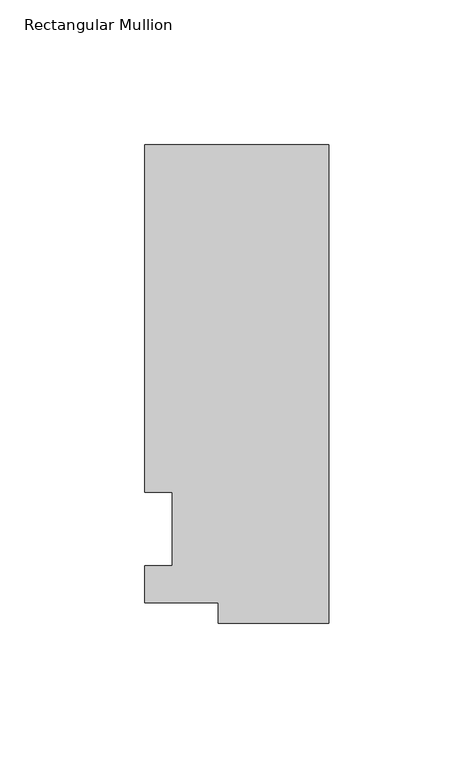
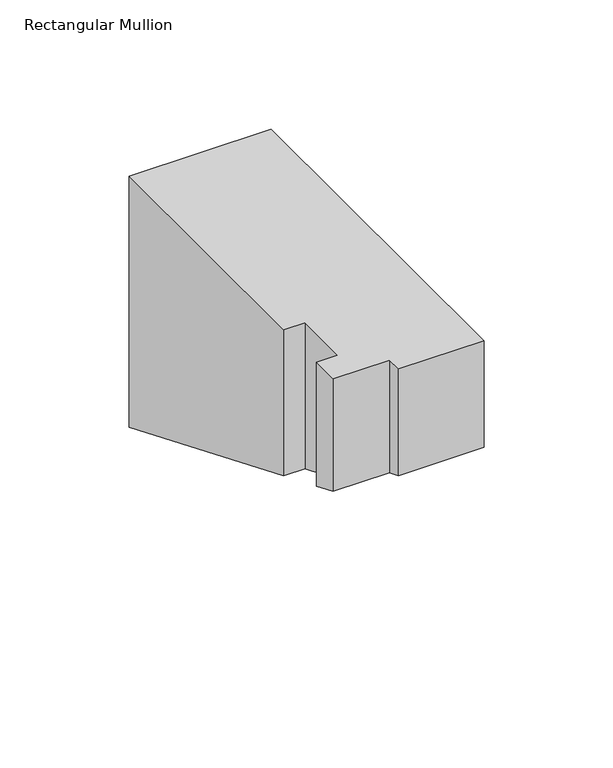
"""IFC4 building model written with IfcOpenShell, lengths in millimetres: member geometry, Rectangular Mullion."""

import ifcopenshell
import ifcopenshell.guid

model = None  # the IFC model being written
_history = None  # IfcOwnerHistory: only IFC2X3 demands one
_inside = {}  # id of a spatial element -> (the spatial element, [elements in it])
_under = {}  # id of a project, library or spatial element -> (it, [spatial elements below it])
_declared = {}  # id of a project -> (the project, [libraries it declares])
_typed = {}  # id of a type object -> (the type object, [elements of that type])
_made_of = {}  # id of a material, layer set ... -> (it, [elements and type objects made of it])


def new_model(schema):
    """Start an empty IFC model of exactly this schema.

    Asked for "IFC4X3", IfcOpenShell would pick the latest addendum, in which some entities
    have other attributes; the version numbers below select the first issue.
    IFC2X3 requires an IfcOwnerHistory on every rooted entity: one is made here for all.
    """
    global model, _history
    if schema == "IFC4X3":
        model = ifcopenshell.file(schema_version=(4, 3, 0, 0))
    else:
        model = ifcopenshell.file(schema=schema)
    _inside.clear()
    _under.clear()
    _declared.clear()
    _typed.clear()
    _made_of.clear()
    _history = None
    if model.schema == "IFC2X3":
        org = make("IfcOrganization", Name="unknown")
        user = make(
            "IfcPersonAndOrganization",
            ThePerson=make("IfcPerson", FamilyName="unknown"),
            TheOrganization=org,
        )
        app = make(
            "IfcApplication",
            ApplicationDeveloper=org,
            Version="unknown",
            ApplicationFullName="unknown",
            ApplicationIdentifier="unknown",
        )
        _history = make(
            "IfcOwnerHistory",
            OwningUser=user,
            OwningApplication=app,
            ChangeAction="ADDED",
            CreationDate=0,
        )
    return model


def make(cls, **values):
    """One entity of the class cls with the attributes given. An attribute that is None is left unset."""
    return model.create_entity(
        cls, **{name: value for name, value in values.items() if value is not None}
    )


def rooted(cls, **values):
    """An entity with a GlobalId (a new one), such as an element, a storey or a relation."""
    return make(cls, GlobalId=ifcopenshell.guid.new(), OwnerHistory=_history, **values)


def si_unit(unit_type, name, prefix=None):
    """IfcSIUnit, for example si_unit("LENGTHUNIT", "METRE", prefix="MILLI")."""
    return make("IfcSIUnit", UnitType=unit_type, Prefix=prefix, Name=name)


def assignment(units):
    """IfcUnitAssignment: the units of a project."""
    return None if units is None else make("IfcUnitAssignment", Units=units)


def point(xyz):
    """IfcCartesianPoint."""
    return None if xyz is None else make("IfcCartesianPoint", Coordinates=xyz)


def direction(xyz):
    """IfcDirection."""
    return None if xyz is None else make("IfcDirection", DirectionRatios=xyz)


def frame(location, z_axis=None, x_axis=None):
    """IfcAxis2Placement3D, a coordinate frame: its origin and axes. An axis left out is left unset."""
    return make(
        "IfcAxis2Placement3D",
        Location=point(location),
        Axis=direction(z_axis),
        RefDirection=direction(x_axis),
    )


def origin():
    """The frame at (0, 0, 0) with its axes left unset."""
    return frame((0.0, 0.0, 0.0))


def place(relative_to, where):
    """IfcLocalPlacement: puts the frame where relative to a parent placement (None: the world)."""
    return make(
        "IfcLocalPlacement", PlacementRelTo=relative_to, RelativePlacement=where
    )


def context(
    kind, dimensions, precision=None, world=None, true_north=None, identifier=None
):
    """IfcGeometricRepresentationContext, for example the 3D "Model" context."""
    return make(
        "IfcGeometricRepresentationContext",
        ContextIdentifier=identifier,
        ContextType=kind,
        CoordinateSpaceDimension=dimensions,
        Precision=precision,
        WorldCoordinateSystem=world,
        TrueNorth=true_north,
    )


def project(units=None, contexts=None):
    """IfcProject with its units and contexts."""
    return rooted(
        "IfcProject",
        Name="project",
        RepresentationContexts=contexts,
        UnitsInContext=assignment(units),
    )


def spatial(cls, under=None, at=None, **own):
    """A site, building, storey or space (cls), placed at a placement, below another one or the project."""
    s = rooted(cls, ObjectPlacement=at, **own)
    if under is not None:
        _under.setdefault(under.id(), (under, []))[1].append(s)
    return s


def faces_of(points, faces, orient=None, outer=None):
    """IfcFace entities. A face is a list of loops; a loop is a list of indices into points, from 0.

    orient and outer hold one flag for each loop. By default every Orientation is true, the
    first loop of a face is its IfcFaceOuterBound and the others are IfcFaceBound.
    """
    made = []
    for i, loops in enumerate(faces):
        bounds = []
        for j, loop in enumerate(loops):
            is_outer = j == 0 if outer is None else outer[i][j]
            bounds.append(
                make(
                    "IfcFaceOuterBound" if is_outer else "IfcFaceBound",
                    Bound=make("IfcPolyLoop", Polygon=[points[k] for k in loop]),
                    Orientation=True if orient is None else orient[i][j],
                )
            )
        made.append(make("IfcFace", Bounds=bounds))
    return made


def faceted_brep(points, faces, orient=None, outer=None, voids=None):
    """IfcFacetedBrep: a solid bounded by flat faces; with voids (closed shells), ...WithVoids."""
    shared = [point(p) for p in points]
    hull = make("IfcClosedShell", CfsFaces=faces_of(shared, faces, orient, outer))
    if voids is None:
        return make("IfcFacetedBrep", Outer=hull)
    return make(
        "IfcFacetedBrepWithVoids",
        Outer=hull,
        Voids=[
            make(cls, CfsFaces=faces_of(shared, fs, o, b)) for cls, fs, o, b in voids
        ],
    )


def shape(context_of_items, identifier, shape_type, items):
    """IfcShapeRepresentation: the items that make up one representation, for example the "Body"."""
    return make(
        "IfcShapeRepresentation",
        ContextOfItems=context_of_items,
        RepresentationIdentifier=identifier,
        RepresentationType=shape_type,
        Items=items,
    )


def source(mapping_origin, context_of_items, identifier, shape_type, items):
    """IfcRepresentationMap: a shape defined once, which mapped items show again and again."""
    return make(
        "IfcRepresentationMap",
        MappingOrigin=mapping_origin,
        MappedRepresentation=shape(context_of_items, identifier, shape_type, items),
    )


def transform(
    local_origin,
    x_axis=None,
    y_axis=None,
    z_axis=None,
    scale=None,
    scale2=None,
    scale3=None,
    uniform=True,
):
    """IfcCartesianTransformationOperator3D, or its non-uniform kind. x_axis, y_axis, z_axis: its Axis1, 2, 3."""
    if uniform:
        return make(
            "IfcCartesianTransformationOperator3D",
            Axis1=direction(x_axis),
            Axis2=direction(y_axis),
            LocalOrigin=point(local_origin),
            Scale=scale,
            Axis3=direction(z_axis),
        )
    return make(
        "IfcCartesianTransformationOperator3DnonUniform",
        Axis1=direction(x_axis),
        Axis2=direction(y_axis),
        LocalOrigin=point(local_origin),
        Scale=scale,
        Axis3=direction(z_axis),
        Scale2=scale2,
        Scale3=scale3,
    )


def mapped(mapping_source, mapping_target):
    """IfcMappedItem: shows the shape of a source again, moved by a transform."""
    return make(
        "IfcMappedItem", MappingSource=mapping_source, MappingTarget=mapping_target
    )


def made_of(thing, what):
    """Note that an element or type object is made of a material, layer set ...; save() writes the relation."""
    if what is not None:
        _made_of.setdefault(what.id(), (what, []))[1].append(thing)
    return thing


def element(
    cls,
    number,
    at=None,
    inside=None,
    cuts=None,
    type_object=None,
    material=None,
    context=None,
    identifier="Body",
    shape_type=None,
    held_by="IfcProductDefinitionShape",
    body=None,
    shapes=None,
    **own,
):
    """One element of the class cls, such as IfcWall. Its Tag is "e" and its number.

    at: its placement. inside: the storey or other place that contains it. cuts: it is an
    opening in that element (IfcRelVoidsElement). A single representation is given by context,
    identifier, shape_type and body (its items); several are given by shapes. held_by: the class
    of the entity that holds the representations. save() writes the other relations.
    """
    e = rooted(cls, Tag="e%d" % number, ObjectPlacement=at, **own)
    if body is not None:
        shapes = [shape(context, identifier, shape_type, body)]
    if shapes is not None:
        e.Representation = make(held_by, Representations=shapes)
    if inside is not None:
        _inside.setdefault(inside.id(), (inside, []))[1].append(e)
    if cuts is not None:
        rooted(
            "IfcRelVoidsElement", RelatingBuildingElement=cuts, RelatedOpeningElement=e
        )
    if type_object is not None:
        _typed.setdefault(type_object.id(), (type_object, []))[1].append(e)
    return made_of(e, material)


def aggregate(whole, parts):
    """IfcRelAggregates: a whole, such as a stair, and the parts it consists of."""
    return rooted("IfcRelAggregates", RelatingObject=whole, RelatedObjects=parts)


def save(model, path):
    """Write the relations noted so far, then the file.

    IfcRelAggregates (storeys below a building ...), IfcRelContainedInSpatialStructure (elements
    in a storey), IfcRelDefinesByType, IfcRelAssociatesMaterial and IfcRelDeclares: one each for
    every whole, place, type object, material and project.
    """
    for whole, parts in _under.values():
        aggregate(whole, parts)
    for where, things in _inside.values():
        rooted(
            "IfcRelContainedInSpatialStructure",
            RelatedElements=things,
            RelatingStructure=where,
        )
    for kind, things in _typed.values():
        rooted("IfcRelDefinesByType", RelatedObjects=things, RelatingType=kind)
    for what, things in _made_of.values():
        rooted("IfcRelAssociatesMaterial", RelatedObjects=things, RelatingMaterial=what)
    for by, libraries in _declared.values():
        rooted("IfcRelDeclares", RelatingContext=by, RelatedDefinitions=libraries)
    model.write(path)


def rectangular_mullion_f4105cba(model_context):
    return source(origin(), model_context, "Body", "Brep", [
        faceted_brep([(-38.1, -32.54375, 0.0), (0.0, -32.54375, 0.0), (0.0, 132.55625, 0.0), (-63.5, 132.55625, 0.0), (-63.5, 12.7, 0.0), (-53.975, 12.7, 0.0), (-53.975, -12.7, 0.0), (-63.5, -12.7, 0.0), (-63.5, -25.58415, 0.0), (-38.1, -25.58415, 0.0), (-38.1, -32.54375, -50.380831), (0.0, -32.54375, -50.380831), (0.0, 132.55625, -118.7674901), (-63.5, 132.55625, -118.7674901), (-63.5, 12.7, -69.1214058), (-53.975, 12.7, -69.1214058), (-53.975, -12.7, -58.6003814), (-63.5, -12.7, -58.6003814), (-63.5, -25.58415, -53.2635917), (-38.1, -25.58415, -53.2635917)], [[[0, 1, 2, 3, 4, 5, 6, 7, 8, 9]], [[1, 0, 10, 11]], [[2, 1, 11, 12]], [[3, 2, 12, 13]], [[4, 3, 13, 14]], [[5, 4, 14, 15]], [[6, 5, 15, 16]], [[7, 6, 16, 17]], [[8, 7, 17, 18]], [[9, 8, 18, 19]], [[0, 9, 19, 10]], [[10, 19, 18, 17, 16, 15, 14, 13, 12, 11]]]),
    ])


if __name__ == "__main__":
    model = new_model("IFC4")
    model_context = context("Model", 3, world=origin())
    ifc_project = project(units=[si_unit("LENGTHUNIT", "METRE", prefix="MILLI")], contexts=[model_context])
    site = spatial("IfcSite", under=ifc_project)
    building = spatial("IfcBuilding", under=site)
    placement = place(None, origin())
    rectangular_mullion_shape = rectangular_mullion_f4105cba(model_context)
    element("IfcMember", 1, ObjectType="Rectangular Mullion", at=placement, inside=building, context=model_context, shape_type="MappedRepresentation", body=[
        mapped(rectangular_mullion_shape, transform((0.0, 0.0, 0.0), x_axis=(1.0, 0.0, 0.0), y_axis=(0.0, 1.0, 0.0), z_axis=(0.0, 0.0, 1.0))),
    ])
    save(model, "model.ifc")
